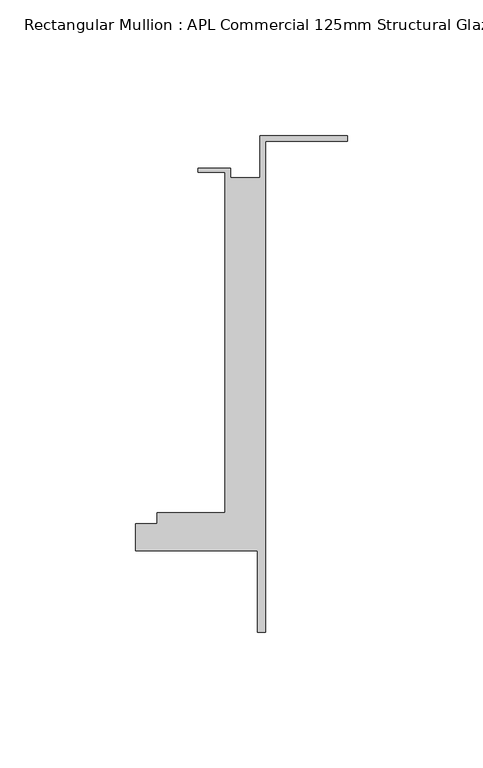
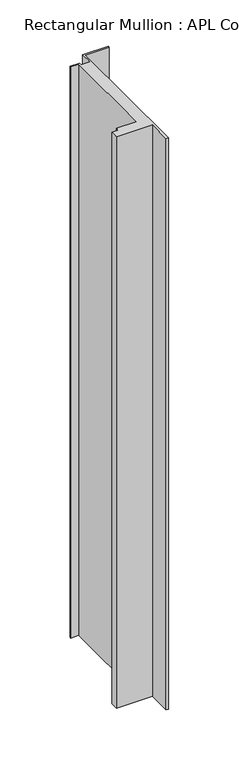
"""IFC4 building model written with IfcOpenShell, lengths in millimetres: member geometry, Rectangular Mullion : APL Commercial 125mm Structural Glaze SubSill."""

from ifc_helpers import new_model, si_unit, frame, origin, place, context, project, spatial, polyline, outline, extrude, source, transform, mapped, element, save


def rectangular_mullion_apl_commercial_125mm_structural_glaze_b04a66af(model_context):
    return source(origin(), model_context, "Body", "SweptSolid", [
        extrude(outline(polyline([(-32.1465839, 41.25), (0.0, 41.25), (0.0, 39.25), (-30.1465839, 39.25), (-30.1465839, -141.75), (-33.1466122, -141.75), (-33.1466122, -111.75), (-78.1466122, -111.75), (-78.1466122, -101.75), (-70.1466122, -101.75), (-70.1466122, -97.75), (-45.1465839, -97.75), (-45.1465839, 27.75), (-55.1465839, 27.75), (-55.1465839, 29.25), (-43.1465839, 29.25), (-43.1465839, 25.75), (-32.1465839, 25.75), (-32.1465839, 41.25)])), frame((0.0, 0.0, -756.0147618), z_axis=(0.0, 0.0, 1.0), x_axis=(1.0, 0.0, 0.0)), (0.0, 0.0, 1.0), 756.0147618),
    ])


if __name__ == "__main__":
    model = new_model("IFC4")
    model_context = context("Model", 3, world=origin())
    ifc_project = project(units=[si_unit("LENGTHUNIT", "METRE", prefix="MILLI")], contexts=[model_context])
    site = spatial("IfcSite", under=ifc_project)
    building = spatial("IfcBuilding", under=site)
    placement = place(None, origin())
    rectangular_mullion_apl_commercial_125mm_structural_glaze_shape = rectangular_mullion_apl_commercial_125mm_structural_glaze_b04a66af(model_context)
    element("IfcMember", 1, ObjectType="Rectangular Mullion : APL Commercial 125mm Structural Glaze SubSill", at=placement, inside=building, context=model_context, shape_type="MappedRepresentation", body=[
        mapped(rectangular_mullion_apl_commercial_125mm_structural_glaze_shape, transform((0.0, 0.0, 0.0), x_axis=(1.0, 0.0, 0.0), y_axis=(0.0, 1.0, 0.0), z_axis=(0.0, 0.0, 1.0))),
    ])
    save(model, "model.ifc")
